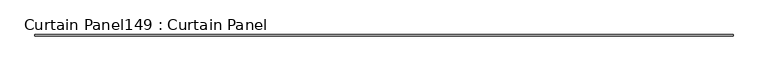
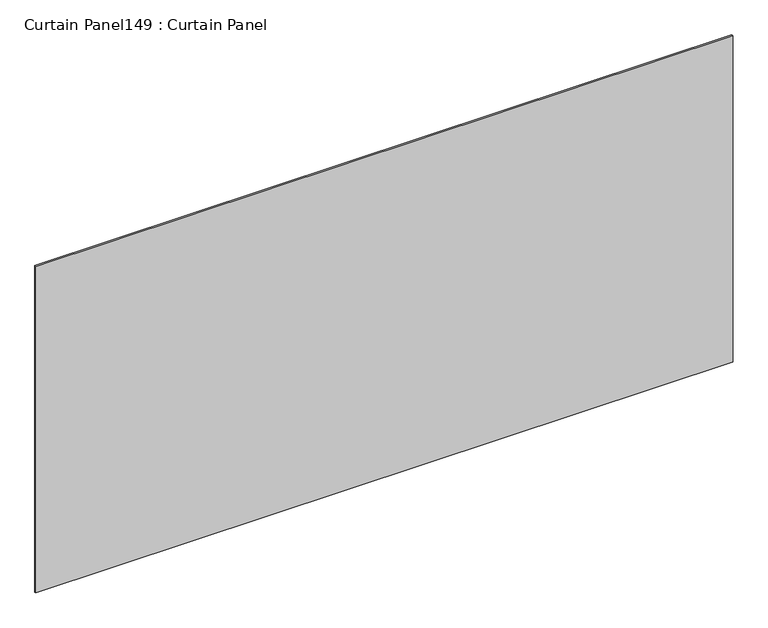
"""IFC4 building model written with IfcOpenShell, lengths in millimetres: plate geometry, Curtain Panel149 : Curtain Panel."""

from ifc_helpers import new_model, si_unit, frame, origin, place, context, project, spatial, polyline, outline, extrude, source, transform, mapped, element, save


def curtain_panel149_curtain_panel_f76f8327(model_context):
    return source(origin(), model_context, "Body", "SweptSolid", [
        extrude(outline(polyline([(395765.4312536, 2292.6839321), (392717.4312536, 2292.6839321), (392717.4312536, 2299.0339321), (395765.4312536, 2299.0339321), (395765.4312536, 2292.6839321)])), frame((0.0, 0.0, 8558.0422589), z_axis=(0.0, 0.0, 1.0), x_axis=(1.0, 0.0, 0.0)), (0.0, 0.0, 1.0), 1509.7126165),
    ])


if __name__ == "__main__":
    model = new_model("IFC4")
    model_context = context("Model", 3, world=origin())
    ifc_project = project(units=[si_unit("LENGTHUNIT", "METRE", prefix="MILLI")], contexts=[model_context])
    site = spatial("IfcSite", under=ifc_project)
    building = spatial("IfcBuilding", under=site)
    placement = place(None, origin())
    curtain_panel149_curtain_panel_shape = curtain_panel149_curtain_panel_f76f8327(model_context)
    element("IfcPlate", 1, ObjectType="Curtain Panel149 : Curtain Panel", at=placement, inside=building, context=model_context, shape_type="MappedRepresentation", body=[
        mapped(curtain_panel149_curtain_panel_shape, transform((0.0, 0.0, 0.0), x_axis=(1.0, 0.0, 0.0), y_axis=(0.0, 1.0, 0.0), z_axis=(0.0, 0.0, 1.0))),
    ])
    save(model, "model.ifc")
